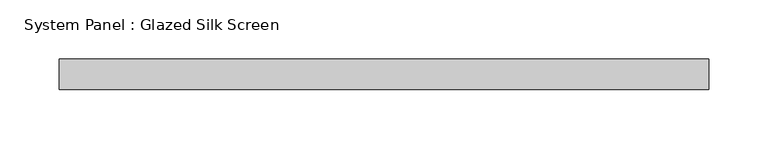
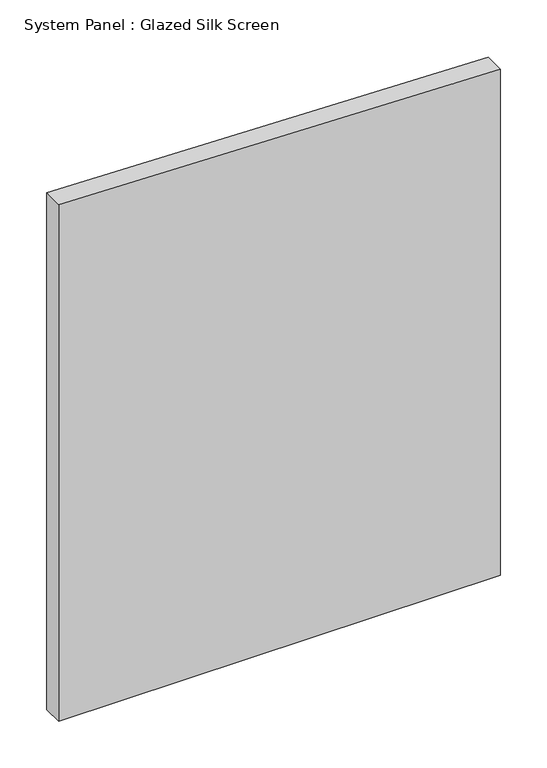
"""IFC4 building model written with IfcOpenShell, lengths in millimetres: plate geometry, System Panel : Glazed Silk Screen."""

from ifc_helpers import new_model, si_unit, frame, origin, place, context, project, spatial, polyline, outline, extrude, source, transform, mapped, element, save


def system_panel_glazed_silk_screen_d5ac8790(model_context):
    return source(origin(), model_context, "Body", "SweptSolid", [
        extrude(outline(polyline([(0.0, -273.05), (0.0, 273.05), (661.5325461, 273.05), (675.5155666, -273.05), (0.0, -273.05)])), frame((0.0, 19.05, 0.0), z_axis=(0.0, 1.0, 0.0), x_axis=(0.0, 0.0, 1.0)), (0.0, 0.0, 1.0), 25.4),
    ])


if __name__ == "__main__":
    model = new_model("IFC4")
    model_context = context("Model", 3, world=origin())
    ifc_project = project(units=[si_unit("LENGTHUNIT", "METRE", prefix="MILLI")], contexts=[model_context])
    site = spatial("IfcSite", under=ifc_project)
    building = spatial("IfcBuilding", under=site)
    placement = place(None, origin())
    system_panel_glazed_silk_screen_shape = system_panel_glazed_silk_screen_d5ac8790(model_context)
    element("IfcPlate", 1, ObjectType="System Panel : Glazed Silk Screen", at=placement, inside=building, context=model_context, shape_type="MappedRepresentation", body=[
        mapped(system_panel_glazed_silk_screen_shape, transform((0.0, 0.0, 0.0), x_axis=(1.0, 0.0, 0.0), y_axis=(0.0, 1.0, 0.0), z_axis=(0.0, 0.0, 1.0))),
    ])
    save(model, "model.ifc")
